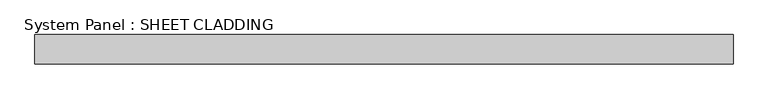
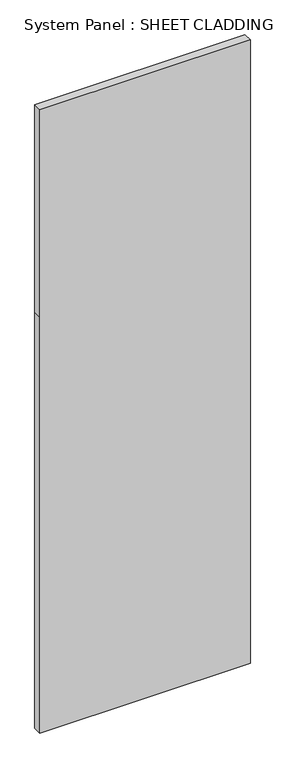
"""IFC4 building model written with IfcOpenShell, lengths in millimetres: plate geometry, System Panel : SHEET CLADDING."""

from ifc_helpers import new_model, si_unit, frame, origin, place, context, project, spatial, polyline, outline, extrude, source, transform, mapped, element, save


def system_panel_sheet_cladding_36cc4cfe(model_context):
    return source(origin(), model_context, "Body", "SweptSolid", [
        extrude(outline(polyline([(0.0, -718.75), (0.0, 718.75), (3000.0, 718.75), (4500.0, 718.75), (4500.0, -718.75), (3000.0, -718.75), (0.0, -718.75)])), frame((0.0, -49.5, 0.0), z_axis=(0.0, 1.0, 0.0), x_axis=(0.0, 0.0, 1.0)), (0.0, 0.0, 1.0), 60.0),
    ])


if __name__ == "__main__":
    model = new_model("IFC4")
    model_context = context("Model", 3, world=origin())
    ifc_project = project(units=[si_unit("LENGTHUNIT", "METRE", prefix="MILLI")], contexts=[model_context])
    site = spatial("IfcSite", under=ifc_project)
    building = spatial("IfcBuilding", under=site)
    placement = place(None, origin())
    system_panel_sheet_cladding_shape = system_panel_sheet_cladding_36cc4cfe(model_context)
    element("IfcPlate", 1, ObjectType="System Panel : SHEET CLADDING", at=placement, inside=building, context=model_context, shape_type="MappedRepresentation", body=[
        mapped(system_panel_sheet_cladding_shape, transform((0.0, 0.0, 0.0), x_axis=(1.0, 0.0, 0.0), y_axis=(0.0, 1.0, 0.0), z_axis=(0.0, 0.0, 1.0))),
    ])
    save(model, "model.ifc")
